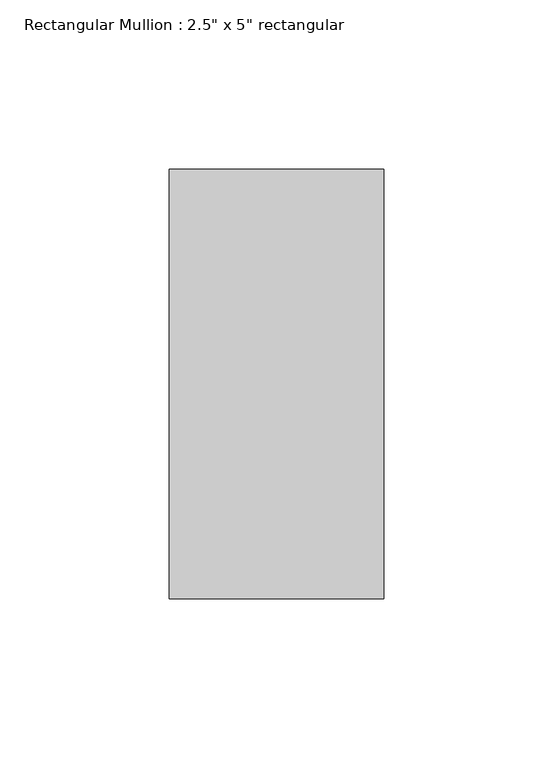
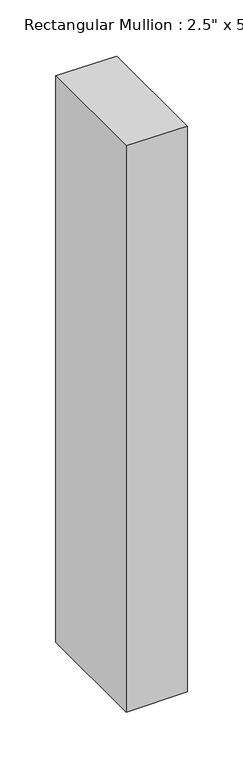
"""IFC4 building model written with IfcOpenShell, lengths in millimetres: member geometry."""

from ifc_helpers import new_model, si_unit, frame, origin, place, context, project, spatial, polyline, outline, extrude, source, transform, mapped, element, save


def member_01a1819e(model_context):
    return source(origin(), model_context, "Body", "SweptSolid", [
        extrude(outline(polyline([(0.0, 0.0), (0.4936814, -63.5), (-621.3730024, -63.5), (-620.8664151, 0.0), (0.0, 0.0)])), frame((0.0, -63.5, 0.0), z_axis=(0.0, 1.0, 0.0), x_axis=(0.0, 0.0, 1.0)), (0.0, 0.0, 1.0), 127.0),
    ])


if __name__ == "__main__":
    model = new_model("IFC4")
    model_context = context("Model", 3, world=origin())
    ifc_project = project(units=[si_unit("LENGTHUNIT", "METRE", prefix="MILLI")], contexts=[model_context])
    site = spatial("IfcSite", under=ifc_project)
    building = spatial("IfcBuilding", under=site)
    placement = place(None, origin())
    member_shape = member_01a1819e(model_context)
    element("IfcMember", 1, ObjectType="Rectangular Mullion : 2.5\" x 5\" rectangular", at=placement, inside=building, context=model_context, shape_type="MappedRepresentation", body=[
        mapped(member_shape, transform((0.0, 0.0, 0.0), x_axis=(1.0, 0.0, 0.0), y_axis=(0.0, 1.0, 0.0), z_axis=(0.0, 0.0, 1.0))),
    ])
    save(model, "model.ifc")
